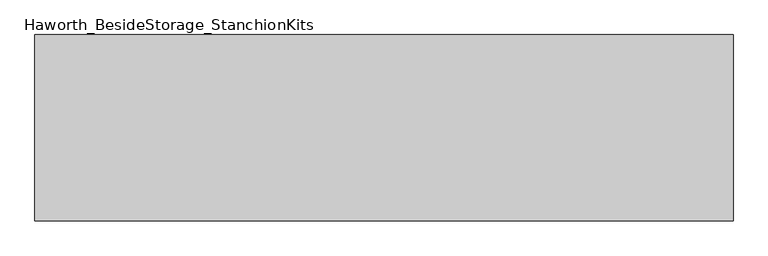
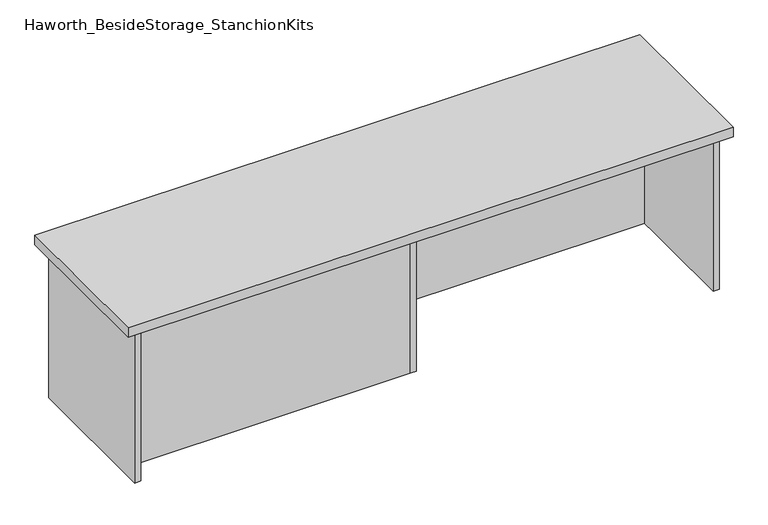
"""IFC4 building model written with IfcOpenShell, lengths in millimetres: furniture geometry, Haworth_BesideStorage_StanchionKits."""

from ifc_helpers import new_model, si_unit, frame, origin, place, context, project, spatial, polyline, outline, extrude, source, transform, mapped, element, save


def haworth_besidestorage_stanchionkits_43b241e5(model_context):
    return source(origin(), model_context, "Body", "SweptSolid", [
        extrude(outline(polyline([(923.925, 0.0), (923.925, -406.4), (-600.075, -406.4), (-600.075, 0.0), (923.925, 0.0)])), frame((0.0, 0.0, 838.2), z_axis=(0.0, 0.0, 1.0), x_axis=(1.0, 0.0, 0.0)), (0.0, 0.0, 1.0), 25.4),
        extrude(outline(polyline([(169.8625, -76.2), (882.65, -76.2), (882.65, -92.075), (169.8625, -92.075), (169.8625, -76.2)])), frame((0.0, 0.0, 431.8), z_axis=(0.0, 0.0, 1.0), x_axis=(1.0, 0.0, 0.0)), (0.0, 0.0, 1.0), 406.4),
        extrude(outline(polyline([(153.9875, -314.325), (153.9875, -330.2), (-558.8, -330.2), (-558.8, -314.325), (153.9875, -314.325)])), frame((0.0, 0.0, 431.8), z_axis=(0.0, 0.0, 1.0), x_axis=(1.0, 0.0, 0.0)), (0.0, 0.0, 1.0), 406.4),
        extrude(outline(polyline([(169.8625, -330.2), (153.9875, -330.2), (153.9875, -76.2), (169.8625, -76.2), (169.8625, -330.2)])), frame((0.0, 0.0, 431.8), z_axis=(0.0, 0.0, 1.0), x_axis=(1.0, 0.0, 0.0)), (0.0, 0.0, 1.0), 406.4),
        extrude(outline(polyline([(898.525, -390.525), (882.65, -390.525), (882.65, -15.875), (898.525, -15.875), (898.525, -390.525)])), frame((0.0, 0.0, 431.8), z_axis=(0.0, 0.0, 1.0), x_axis=(1.0, 0.0, 0.0)), (0.0, 0.0, 1.0), 406.4),
        extrude(outline(polyline([(-558.8, -390.525), (-574.675, -390.525), (-574.675, -15.875), (-558.8, -15.875), (-558.8, -390.525)])), frame((0.0, 0.0, 431.8), z_axis=(0.0, 0.0, 1.0), x_axis=(1.0, 0.0, 0.0)), (0.0, 0.0, 1.0), 406.4),
    ])


if __name__ == "__main__":
    model = new_model("IFC4")
    model_context = context("Model", 3, world=origin())
    ifc_project = project(units=[si_unit("LENGTHUNIT", "METRE", prefix="MILLI")], contexts=[model_context])
    site = spatial("IfcSite", under=ifc_project)
    building = spatial("IfcBuilding", under=site)
    placement = place(None, origin())
    haworth_besidestorage_stanchionkits_shape = haworth_besidestorage_stanchionkits_43b241e5(model_context)
    element("IfcFurniture", 1, ObjectType="Haworth_BesideStorage_StanchionKits", at=placement, inside=building, context=model_context, shape_type="MappedRepresentation", body=[
        mapped(haworth_besidestorage_stanchionkits_shape, transform((0.0, 0.0, 0.0), x_axis=(1.0, 0.0, 0.0), y_axis=(0.0, 1.0, 0.0), z_axis=(0.0, 0.0, 1.0))),
    ])
    save(model, "model.ifc")
